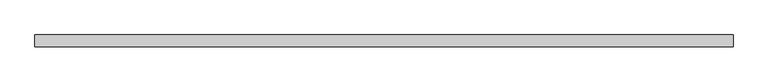
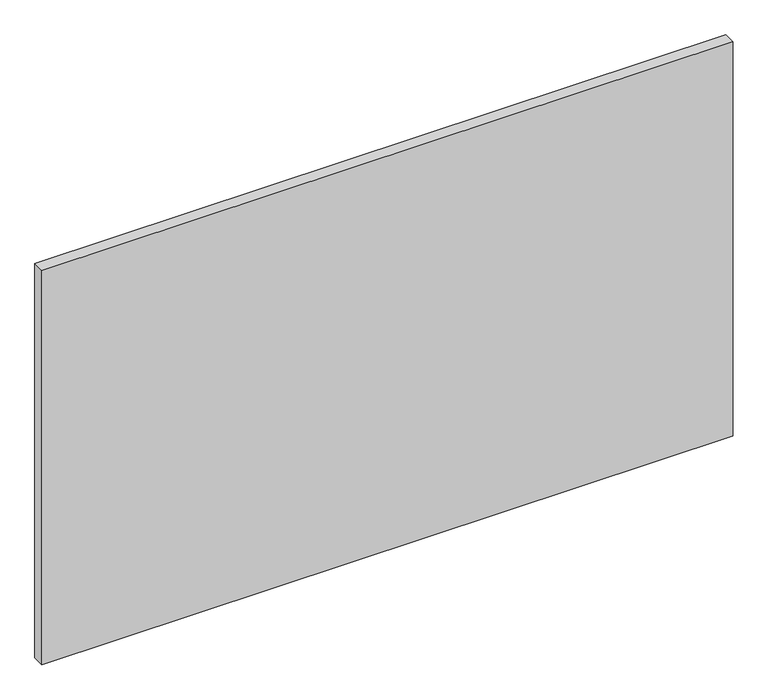
"""IFC4 building model written with IfcOpenShell, lengths in millimetres: plate geometry."""

from ifc_helpers import new_model, si_unit, origin, origin_with_axes, place, context, project, spatial, polyline, outline, extrude, source, transform, mapped, element, save


def plate_00b22209(model_context):
    return source(origin(), model_context, "Body", "SweptSolid", [
        extrude(outline(polyline([(725.0, -49.5), (-725.0, -49.5), (-725.0, -24.5), (725.0, -24.5), (725.0, -49.5)])), origin_with_axes(), (0.0, 0.0, 1.0), 875.0),
    ])


if __name__ == "__main__":
    model = new_model("IFC4")
    model_context = context("Model", 3, world=origin())
    ifc_project = project(units=[si_unit("LENGTHUNIT", "METRE", prefix="MILLI")], contexts=[model_context])
    site = spatial("IfcSite", under=ifc_project)
    building = spatial("IfcBuilding", under=site)
    placement = place(None, origin())
    plate_shape = plate_00b22209(model_context)
    element("IfcPlate", 1, at=placement, inside=building, context=model_context, shape_type="MappedRepresentation", body=[
        mapped(plate_shape, transform((0.0, 0.0, 0.0), x_axis=(1.0, 0.0, 0.0), y_axis=(0.0, 1.0, 0.0), z_axis=(0.0, 0.0, 1.0))),
    ])
    save(model, "model.ifc")
